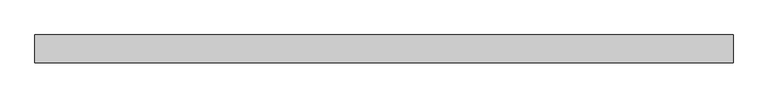
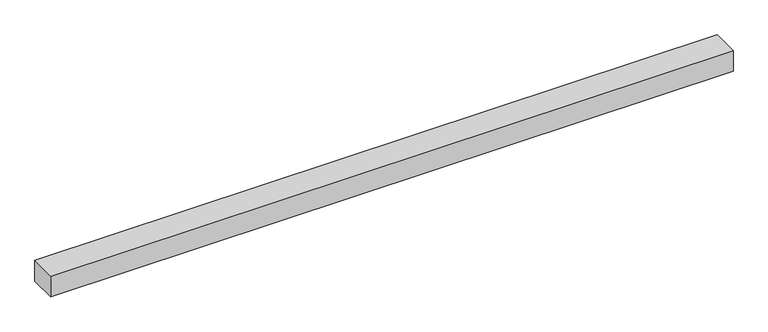
"""IFC4 building model written with IfcOpenShell, lengths in millimetres: geographic element geometry."""

from ifc_helpers import new_model, si_unit, origin, origin_with_axes, place, context, project, spatial, polyline, outline, extrude, source, transform, mapped, element, save


def geographic_element_775aa53c(model_context):
    return source(origin(), model_context, "Body", "SweptSolid", [
        extrude(outline(polyline([(0.0, 0.0), (0.0, 500.0), (12528.0443993, 500.0), (12528.0443993, 0.0), (0.0, 0.0)])), origin_with_axes(), (0.0, 0.0, 1.0), 400.0),
    ])


if __name__ == "__main__":
    model = new_model("IFC4")
    model_context = context("Model", 3, world=origin())
    ifc_project = project(units=[si_unit("LENGTHUNIT", "METRE", prefix="MILLI")], contexts=[model_context])
    site = spatial("IfcSite", under=ifc_project)
    building = spatial("IfcBuilding", under=site)
    placement = place(None, origin())
    geographic_element_shape = geographic_element_775aa53c(model_context)
    element("IfcGeographicElement", 1, at=placement, inside=building, context=model_context, shape_type="MappedRepresentation", body=[
        mapped(geographic_element_shape, transform((0.0, 0.0, 0.0), x_axis=(1.0, 0.0, 0.0), y_axis=(0.0, 1.0, 0.0), z_axis=(0.0, 0.0, 1.0))),
    ])
    save(model, "model.ifc")
